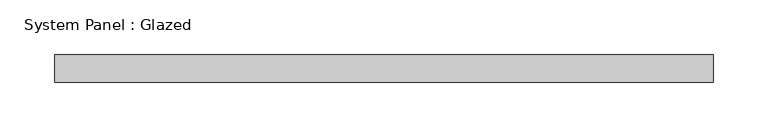
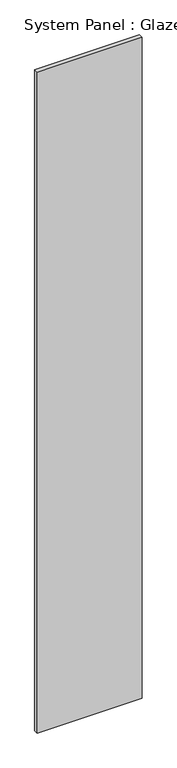
"""IFC4 building model written with IfcOpenShell, lengths in millimetres: plate geometry, System Panel : Glazed."""

from ifc_helpers import new_model, si_unit, origin, origin_with_axes, place, context, project, spatial, polyline, outline, extrude, source, transform, mapped, element, save


def system_panel_glazed_714adc4b(model_context):
    return source(origin(), model_context, "Body", "SweptSolid", [
        extrude(outline(polyline([(300.0000001, 24.5), (-300.0000001, 24.5), (-300.0000001, 49.5), (300.0000001, 49.5), (300.0000001, 24.5)])), origin_with_axes(), (0.0, 0.0, 1.0), 4000.0),
    ])


if __name__ == "__main__":
    model = new_model("IFC4")
    model_context = context("Model", 3, world=origin())
    ifc_project = project(units=[si_unit("LENGTHUNIT", "METRE", prefix="MILLI")], contexts=[model_context])
    site = spatial("IfcSite", under=ifc_project)
    building = spatial("IfcBuilding", under=site)
    placement = place(None, origin())
    system_panel_glazed_shape = system_panel_glazed_714adc4b(model_context)
    element("IfcPlate", 1, ObjectType="System Panel : Glazed", at=placement, inside=building, context=model_context, shape_type="MappedRepresentation", body=[
        mapped(system_panel_glazed_shape, transform((0.0, 0.0, 0.0), x_axis=(1.0, 0.0, 0.0), y_axis=(0.0, 1.0, 0.0), z_axis=(0.0, 0.0, 1.0))),
    ])
    save(model, "model.ifc")
